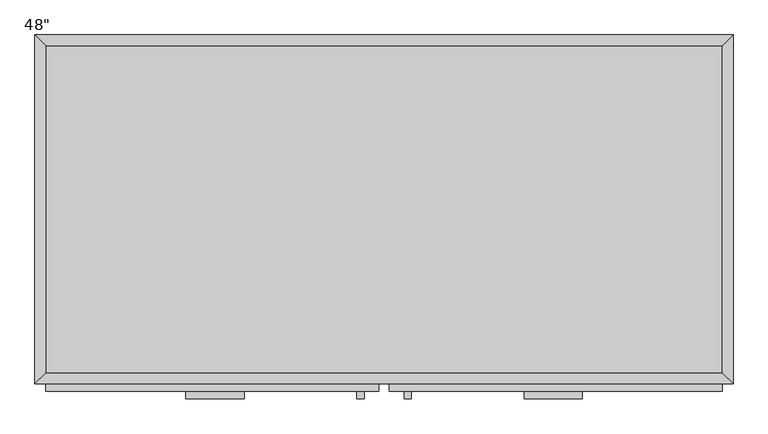
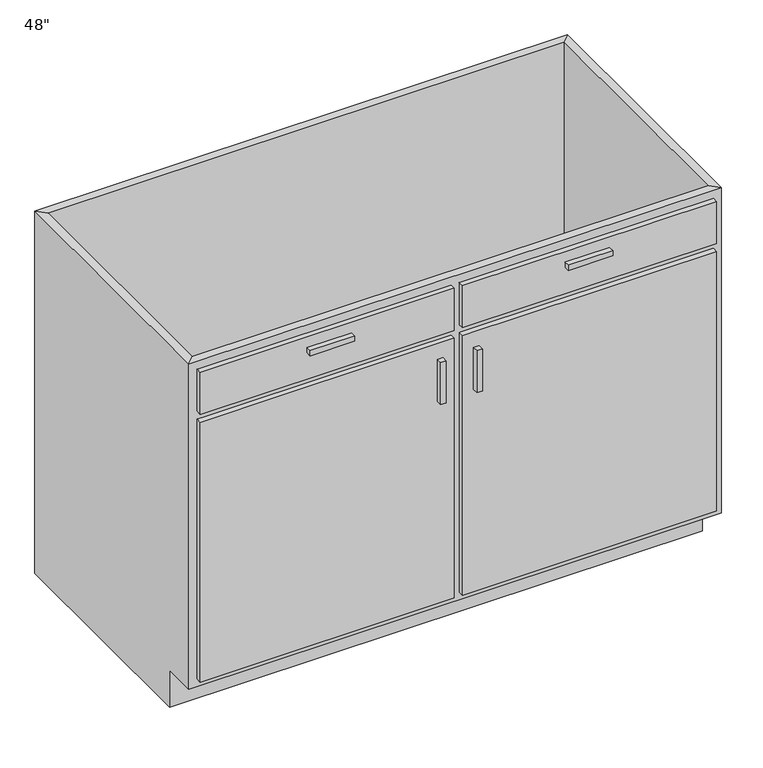
"""IFC4 building model written with IfcOpenShell, lengths in millimetres: furniture geometry."""

from ifc_helpers import new_model, si_unit, frame, origin, place, context, project, spatial, polyline, outline, extrude, faceted_brep, source, transform, mapped, element, save


def furniture_07c0da44(model_context):
    return source(origin(), model_context, "Body", "SolidModel", [
        faceted_brep([(609.2877049, -590.55, 876.3), (609.2877049, -590.55, 88.9), (-571.8122951, -590.55, 88.9), (-571.8122951, -590.55, 876.3), (-590.8622951, -609.6, 876.3), (628.3377049, -609.6, 876.3), (-590.8622951, -609.6, 88.9), (628.3377049, -609.6, 88.9), (-571.8122951, -533.4, 88.9), (-571.8122951, -19.05, 88.9), (-571.8122951, -19.05, 876.3), (-590.8622951, 0.0, 876.3), (-590.8622951, 0.0, 0.0), (-590.8622951, -533.4, 0.0), (-590.8622951, -533.4, 88.9), (609.2877049, -19.05, 88.9), (609.2877049, -19.05, 876.3), (628.3377049, 0.0, 876.3), (628.3377049, 0.0, 0.0), (609.2877049, -533.4, 88.9), (628.3377049, -533.4, 88.9), (628.3377049, -533.4, 0.0)], [[[0, 1, 2, 3]], [[0, 3, 4, 5]], [[5, 4, 6, 7]], [[2, 1, 7, 6]], [[3, 2, 8, 9, 10]], [[4, 3, 10, 11]], [[6, 4, 11, 12, 13, 14]], [[2, 6, 14, 8]], [[10, 9, 15, 16]], [[11, 10, 16, 17]], [[12, 11, 17, 18]], [[1, 0, 16, 15, 19]], [[0, 5, 17, 16]], [[5, 7, 20, 21, 18, 17]], [[7, 1, 19, 20]], [[8, 19, 15, 9]], [[18, 21, 13, 12]], [[13, 21, 20, 19, 8, 14]]]),
        extrude(outline(polyline([(-225.7372951, -635.0), (-327.3372951, -635.0), (-327.3372951, -622.3), (-225.7372951, -622.3), (-225.7372951, -635.0)])), frame((0.0, 0.0, 819.15), z_axis=(0.0, 0.0, 1.0), x_axis=(1.0, 0.0, 0.0)), (0.0, 0.0, 1.0), 12.7),
        extrude(outline(polyline([(364.8127049, -635.0), (263.2127049, -635.0), (263.2127049, -622.3), (364.8127049, -622.3), (364.8127049, -635.0)])), frame((0.0, 0.0, 819.15), z_axis=(0.0, 0.0, 1.0), x_axis=(1.0, 0.0, 0.0)), (0.0, 0.0, 1.0), 12.7),
        extrude(outline(polyline([(-16.1872951, -635.0), (-28.8872951, -635.0), (-28.8872951, -622.3), (-16.1872951, -622.3), (-16.1872951, -635.0)])), frame((0.0, 0.0, 596.9), z_axis=(0.0, 0.0, 1.0), x_axis=(1.0, 0.0, 0.0)), (0.0, 0.0, 1.0), 101.6),
        extrude(outline(polyline([(66.3627049, -635.0), (53.6627049, -635.0), (53.6627049, -622.3), (66.3627049, -622.3), (66.3627049, -635.0)])), frame((0.0, 0.0, 596.9), z_axis=(0.0, 0.0, 1.0), x_axis=(1.0, 0.0, 0.0)), (0.0, 0.0, 1.0), 101.6),
        extrude(outline(polyline([(609.2877049, -19.05), (609.2877049, -590.55), (-571.8122951, -590.55), (-571.8122951, -19.05), (609.2877049, -19.05)])), frame((0.0, 0.0, 88.9), z_axis=(0.0, 0.0, 1.0), x_axis=(1.0, 0.0, 0.0)), (0.0, 0.0, 1.0), 19.05),
        extrude(outline(polyline([(9.2127049, -622.3), (-571.8122951, -622.3), (-571.8122951, -609.6), (9.2127049, -609.6), (9.2127049, -622.3)])), frame((0.0, 0.0, 755.65), z_axis=(0.0, 0.0, 1.0), x_axis=(1.0, 0.0, 0.0)), (0.0, 0.0, 1.0), 101.6),
        extrude(outline(polyline([(609.2877049, -622.3), (28.2627049, -622.3), (28.2627049, -609.6), (609.2877049, -609.6), (609.2877049, -622.3)])), frame((0.0, 0.0, 755.65), z_axis=(0.0, 0.0, 1.0), x_axis=(1.0, 0.0, 0.0)), (0.0, 0.0, 1.0), 101.6),
        extrude(outline(polyline([(9.2127049, -622.3), (-571.8122951, -622.3), (-571.8122951, -609.6), (9.2127049, -609.6), (9.2127049, -622.3)])), frame((0.0, 0.0, 107.95), z_axis=(0.0, 0.0, 1.0), x_axis=(1.0, 0.0, 0.0)), (0.0, 0.0, 1.0), 628.65),
        extrude(outline(polyline([(609.2877049, -622.3), (28.2627049, -622.3), (28.2627049, -609.6), (609.2877049, -609.6), (609.2877049, -622.3)])), frame((0.0, 0.0, 107.95), z_axis=(0.0, 0.0, 1.0), x_axis=(1.0, 0.0, 0.0)), (0.0, 0.0, 1.0), 628.65),
    ])


if __name__ == "__main__":
    model = new_model("IFC4")
    model_context = context("Model", 3, world=origin())
    ifc_project = project(units=[si_unit("LENGTHUNIT", "METRE", prefix="MILLI")], contexts=[model_context])
    site = spatial("IfcSite", under=ifc_project)
    building = spatial("IfcBuilding", under=site)
    placement = place(None, origin())
    furniture_shape = furniture_07c0da44(model_context)
    element("IfcFurniture", 1, ObjectType="48\"", at=placement, inside=building, context=model_context, shape_type="MappedRepresentation", body=[
        mapped(furniture_shape, transform((0.0, 0.0, 0.0), x_axis=(1.0, 0.0, 0.0), y_axis=(0.0, 1.0, 0.0), z_axis=(0.0, 0.0, 1.0))),
    ])
    save(model, "model.ifc")
